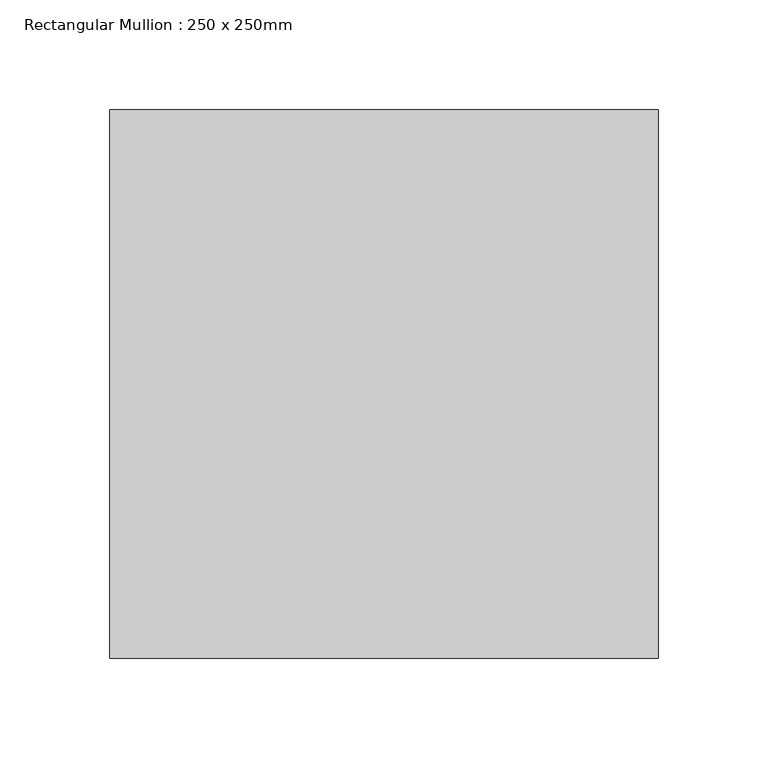
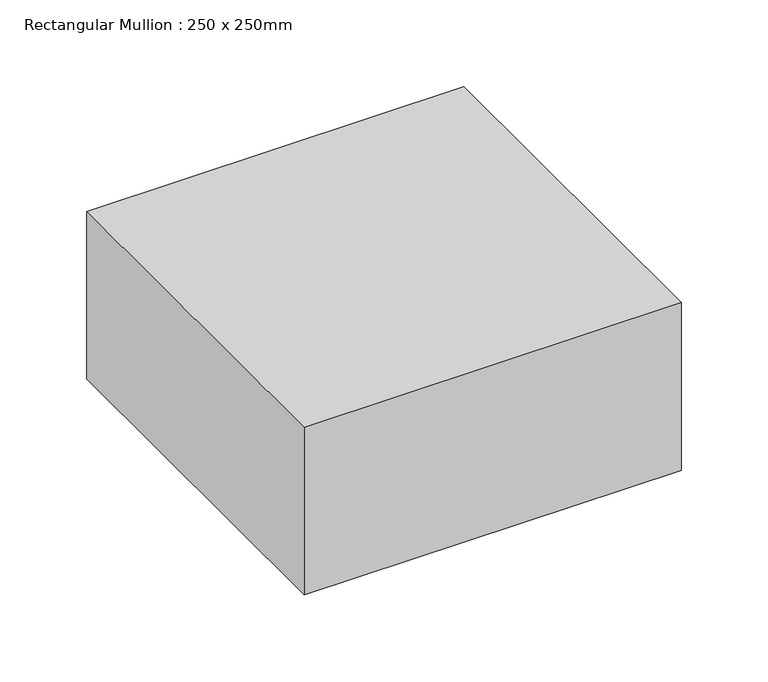
"""IFC4 building model written with IfcOpenShell, lengths in millimetres: member geometry, Rectangular Mullion : 250 x 250mm."""

import ifcopenshell
import ifcopenshell.guid

model = None  # the IFC model being written
_history = None  # IfcOwnerHistory: only IFC2X3 demands one
_inside = {}  # id of a spatial element -> (the spatial element, [elements in it])
_under = {}  # id of a project, library or spatial element -> (it, [spatial elements below it])
_declared = {}  # id of a project -> (the project, [libraries it declares])
_typed = {}  # id of a type object -> (the type object, [elements of that type])
_made_of = {}  # id of a material, layer set ... -> (it, [elements and type objects made of it])


def new_model(schema):
    """Start an empty IFC model of exactly this schema.

    Asked for "IFC4X3", IfcOpenShell would pick the latest addendum, in which some entities
    have other attributes; the version numbers below select the first issue.
    IFC2X3 requires an IfcOwnerHistory on every rooted entity: one is made here for all.
    """
    global model, _history
    if schema == "IFC4X3":
        model = ifcopenshell.file(schema_version=(4, 3, 0, 0))
    else:
        model = ifcopenshell.file(schema=schema)
    _inside.clear()
    _under.clear()
    _declared.clear()
    _typed.clear()
    _made_of.clear()
    _history = None
    if model.schema == "IFC2X3":
        org = make("IfcOrganization", Name="unknown")
        user = make(
            "IfcPersonAndOrganization",
            ThePerson=make("IfcPerson", FamilyName="unknown"),
            TheOrganization=org,
        )
        app = make(
            "IfcApplication",
            ApplicationDeveloper=org,
            Version="unknown",
            ApplicationFullName="unknown",
            ApplicationIdentifier="unknown",
        )
        _history = make(
            "IfcOwnerHistory",
            OwningUser=user,
            OwningApplication=app,
            ChangeAction="ADDED",
            CreationDate=0,
        )
    return model


def make(cls, **values):
    """One entity of the class cls with the attributes given. An attribute that is None is left unset."""
    return model.create_entity(
        cls, **{name: value for name, value in values.items() if value is not None}
    )


def rooted(cls, **values):
    """An entity with a GlobalId (a new one), such as an element, a storey or a relation."""
    return make(cls, GlobalId=ifcopenshell.guid.new(), OwnerHistory=_history, **values)


def si_unit(unit_type, name, prefix=None):
    """IfcSIUnit, for example si_unit("LENGTHUNIT", "METRE", prefix="MILLI")."""
    return make("IfcSIUnit", UnitType=unit_type, Prefix=prefix, Name=name)


def assignment(units):
    """IfcUnitAssignment: the units of a project."""
    return None if units is None else make("IfcUnitAssignment", Units=units)


def point(xyz):
    """IfcCartesianPoint."""
    return None if xyz is None else make("IfcCartesianPoint", Coordinates=xyz)


def direction(xyz):
    """IfcDirection."""
    return None if xyz is None else make("IfcDirection", DirectionRatios=xyz)


def frame(location, z_axis=None, x_axis=None):
    """IfcAxis2Placement3D, a coordinate frame: its origin and axes. An axis left out is left unset."""
    return make(
        "IfcAxis2Placement3D",
        Location=point(location),
        Axis=direction(z_axis),
        RefDirection=direction(x_axis),
    )


def origin():
    """The frame at (0, 0, 0) with its axes left unset."""
    return frame((0.0, 0.0, 0.0))


def place(relative_to, where):
    """IfcLocalPlacement: puts the frame where relative to a parent placement (None: the world)."""
    return make(
        "IfcLocalPlacement", PlacementRelTo=relative_to, RelativePlacement=where
    )


def context(
    kind, dimensions, precision=None, world=None, true_north=None, identifier=None
):
    """IfcGeometricRepresentationContext, for example the 3D "Model" context."""
    return make(
        "IfcGeometricRepresentationContext",
        ContextIdentifier=identifier,
        ContextType=kind,
        CoordinateSpaceDimension=dimensions,
        Precision=precision,
        WorldCoordinateSystem=world,
        TrueNorth=true_north,
    )


def project(units=None, contexts=None):
    """IfcProject with its units and contexts."""
    return rooted(
        "IfcProject",
        Name="project",
        RepresentationContexts=contexts,
        UnitsInContext=assignment(units),
    )


def spatial(cls, under=None, at=None, **own):
    """A site, building, storey or space (cls), placed at a placement, below another one or the project."""
    s = rooted(cls, ObjectPlacement=at, **own)
    if under is not None:
        _under.setdefault(under.id(), (under, []))[1].append(s)
    return s


def polyline(points):
    """IfcPolyline through the points."""
    return make("IfcPolyline", Points=[point(p) for p in points])


def outline(outer, holes=None, kind="AREA"):
    """IfcArbitraryClosedProfileDef: a profile drawn as a closed curve; with holes, ...WithVoids."""
    if holes is None:
        return make("IfcArbitraryClosedProfileDef", ProfileType=kind, OuterCurve=outer)
    return make(
        "IfcArbitraryProfileDefWithVoids",
        ProfileType=kind,
        OuterCurve=outer,
        InnerCurves=holes,
    )


def extrude(swept, where, along, depth):
    """IfcExtrudedAreaSolid: the profile swept, set in the frame where, extruded along a direction by depth."""
    return make(
        "IfcExtrudedAreaSolid",
        SweptArea=swept,
        Position=where,
        ExtrudedDirection=direction(along),
        Depth=depth,
    )


def shape(context_of_items, identifier, shape_type, items):
    """IfcShapeRepresentation: the items that make up one representation, for example the "Body"."""
    return make(
        "IfcShapeRepresentation",
        ContextOfItems=context_of_items,
        RepresentationIdentifier=identifier,
        RepresentationType=shape_type,
        Items=items,
    )


def source(mapping_origin, context_of_items, identifier, shape_type, items):
    """IfcRepresentationMap: a shape defined once, which mapped items show again and again."""
    return make(
        "IfcRepresentationMap",
        MappingOrigin=mapping_origin,
        MappedRepresentation=shape(context_of_items, identifier, shape_type, items),
    )


def transform(
    local_origin,
    x_axis=None,
    y_axis=None,
    z_axis=None,
    scale=None,
    scale2=None,
    scale3=None,
    uniform=True,
):
    """IfcCartesianTransformationOperator3D, or its non-uniform kind. x_axis, y_axis, z_axis: its Axis1, 2, 3."""
    if uniform:
        return make(
            "IfcCartesianTransformationOperator3D",
            Axis1=direction(x_axis),
            Axis2=direction(y_axis),
            LocalOrigin=point(local_origin),
            Scale=scale,
            Axis3=direction(z_axis),
        )
    return make(
        "IfcCartesianTransformationOperator3DnonUniform",
        Axis1=direction(x_axis),
        Axis2=direction(y_axis),
        LocalOrigin=point(local_origin),
        Scale=scale,
        Axis3=direction(z_axis),
        Scale2=scale2,
        Scale3=scale3,
    )


def mapped(mapping_source, mapping_target):
    """IfcMappedItem: shows the shape of a source again, moved by a transform."""
    return make(
        "IfcMappedItem", MappingSource=mapping_source, MappingTarget=mapping_target
    )


def made_of(thing, what):
    """Note that an element or type object is made of a material, layer set ...; save() writes the relation."""
    if what is not None:
        _made_of.setdefault(what.id(), (what, []))[1].append(thing)
    return thing


def element(
    cls,
    number,
    at=None,
    inside=None,
    cuts=None,
    type_object=None,
    material=None,
    context=None,
    identifier="Body",
    shape_type=None,
    held_by="IfcProductDefinitionShape",
    body=None,
    shapes=None,
    **own,
):
    """One element of the class cls, such as IfcWall. Its Tag is "e" and its number.

    at: its placement. inside: the storey or other place that contains it. cuts: it is an
    opening in that element (IfcRelVoidsElement). A single representation is given by context,
    identifier, shape_type and body (its items); several are given by shapes. held_by: the class
    of the entity that holds the representations. save() writes the other relations.
    """
    e = rooted(cls, Tag="e%d" % number, ObjectPlacement=at, **own)
    if body is not None:
        shapes = [shape(context, identifier, shape_type, body)]
    if shapes is not None:
        e.Representation = make(held_by, Representations=shapes)
    if inside is not None:
        _inside.setdefault(inside.id(), (inside, []))[1].append(e)
    if cuts is not None:
        rooted(
            "IfcRelVoidsElement", RelatingBuildingElement=cuts, RelatedOpeningElement=e
        )
    if type_object is not None:
        _typed.setdefault(type_object.id(), (type_object, []))[1].append(e)
    return made_of(e, material)


def aggregate(whole, parts):
    """IfcRelAggregates: a whole, such as a stair, and the parts it consists of."""
    return rooted("IfcRelAggregates", RelatingObject=whole, RelatedObjects=parts)


def save(model, path):
    """Write the relations noted so far, then the file.

    IfcRelAggregates (storeys below a building ...), IfcRelContainedInSpatialStructure (elements
    in a storey), IfcRelDefinesByType, IfcRelAssociatesMaterial and IfcRelDeclares: one each for
    every whole, place, type object, material and project.
    """
    for whole, parts in _under.values():
        aggregate(whole, parts)
    for where, things in _inside.values():
        rooted(
            "IfcRelContainedInSpatialStructure",
            RelatedElements=things,
            RelatingStructure=where,
        )
    for kind, things in _typed.values():
        rooted("IfcRelDefinesByType", RelatedObjects=things, RelatingType=kind)
    for what, things in _made_of.values():
        rooted("IfcRelAssociatesMaterial", RelatedObjects=things, RelatingMaterial=what)
    for by, libraries in _declared.values():
        rooted("IfcRelDeclares", RelatingContext=by, RelatedDefinitions=libraries)
    model.write(path)


def rectangular_mullion_250_x_250mm_98a0c53e(model_context):
    return source(origin(), model_context, "Body", "SweptSolid", [
        extrude(outline(polyline([(0.0, 125.0), (0.0, -125.0), (-250.0, -125.0), (-250.0, 125.0), (0.0, 125.0)])), frame((0.0, 0.0, -117.6908123), z_axis=(0.0, 0.0, 1.0), x_axis=(1.0, 0.0, 0.0)), (0.0, 0.0, 1.0), 117.6908123),
    ])


if __name__ == "__main__":
    model = new_model("IFC4")
    model_context = context("Model", 3, world=origin())
    ifc_project = project(units=[si_unit("LENGTHUNIT", "METRE", prefix="MILLI")], contexts=[model_context])
    site = spatial("IfcSite", under=ifc_project)
    building = spatial("IfcBuilding", under=site)
    placement = place(None, origin())
    rectangular_mullion_250_x_250mm_shape = rectangular_mullion_250_x_250mm_98a0c53e(model_context)
    element("IfcMember", 1, ObjectType="Rectangular Mullion : 250 x 250mm", at=placement, inside=building, context=model_context, shape_type="MappedRepresentation", body=[
        mapped(rectangular_mullion_250_x_250mm_shape, transform((0.0, 0.0, 0.0), x_axis=(1.0, 0.0, 0.0), y_axis=(0.0, 1.0, 0.0), z_axis=(0.0, 0.0, 1.0))),
    ])
    save(model, "model.ifc")
